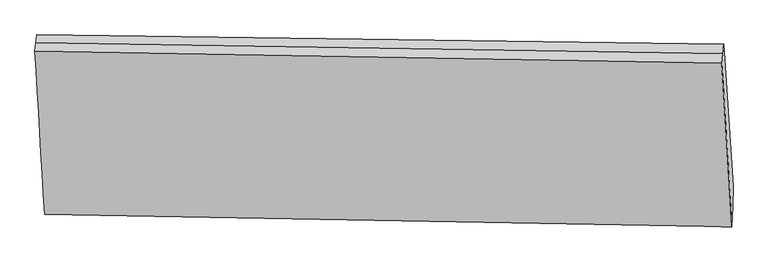
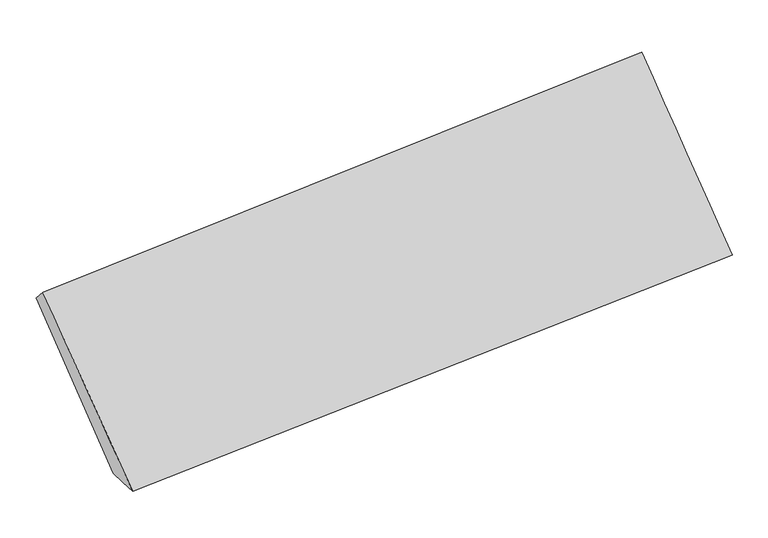
"""IFC4 building model written with IfcOpenShell, lengths in millimetres: proxy geometry."""

from ifc_helpers import new_model, si_unit, frame, origin, place, context, project, spatial, source, transform, mapped, element, save
from ifc_brep_helpers import plane_surface, spline_surface, advanced_brep


def generic_models_0dec25dd(model_context):
    return source(origin(), model_context, "Body", "AdvancedBrep", [
        advanced_brep(
        [(-5214.5957456, -1739.1666909, 1326.3664979), (-5276.5076604, -779.4260008, 2254.3130353), (-510.9286524, -844.3127294, 2657.7655399), (-447.6074011, -1833.6091884, 1707.097003), (-5217.9505747, -1881.9188342, 1336.2603632), (-451.4979139, -1973.2555177, 1723.9417852), (-5221.3054038, -2024.6709775, 1346.1542284), (-455.3884268, -2112.9018469, 1740.7865674), (-5288.8408512, -891.0791161, 2376.3622979), (-525.5700052, -976.8617733, 2802.6563747), (-5282.6742558, -835.2525584, 2315.3376666), (-518.2493288, -910.5872514, 2730.2109573)],
        [
            (0, 1),
            (1, 2),
            (2, 3),
            (3, 0),
            (4, 0),
            (3, 5),
            (5, 4),
            (6, 4),
            (5, 7),
            (7, 6),
            (8, 6),
            (7, 9),
            (9, 8),
            (10, 8),
            (9, 11),
            (11, 10),
            (1, 10),
            (11, 2),
        ],
        [
            spline_surface(1, 1, [[(-5214.5957456, -1739.1666909, 1326.3664979), (-447.6074011, -1833.6091884, 1707.097003)], [(-5276.5076604, -779.4260008, 2254.3130353), (-510.9286524, -844.3127294, 2657.7655399)]], [2, 2], [2, 2], [0.0, 1.0], [0.0, 1.0]),
            spline_surface(1, 1, [[(-5217.9505747, -1881.9188342, 1336.2603632), (-451.4979139, -1973.2555177, 1723.9417852)], [(-5214.5957456, -1739.1666909, 1326.3664979), (-447.6074011, -1833.6091884, 1707.097003)]], [2, 2], [2, 2], [0.0, 1.0], [0.0, 1.0]),
            spline_surface(1, 1, [[(-5221.3054038, -2024.6709775, 1346.1542284), (-455.3884268, -2112.9018469, 1740.7865674)], [(-5217.9505747, -1881.9188342, 1336.2603632), (-451.4979139, -1973.2555177, 1723.9417852)]], [2, 2], [2, 2], [0.0, 1.0], [0.0, 1.0]),
            spline_surface(1, 1, [[(-5288.8408512, -891.0791161, 2376.3622979), (-525.5700052, -976.8617733, 2802.6563747)], [(-5221.3054038, -2024.6709775, 1346.1542284), (-455.3884268, -2112.9018469, 1740.7865674)]], [2, 2], [2, 2], [0.0, 1.0], [0.0, 1.0]),
            plane_surface(frame((-5285.7575535, -863.1658372, 2345.8499823), z_axis=(-0.046795936590365204, 0.7393746699382432, 0.6716660165382379), x_axis=(-0.07435227424028977, -0.6731155935477656, 0.7357901447003323))),
            plane_surface(frame((-5279.5909581, -807.3392796, 2284.825351), z_axis=(-0.046795936590364906, 0.7393746699382457, 0.6716660165382351), x_axis=(-0.07435227424028877, -0.6731155935477628, 0.7357901447003349))),
            plane_surface(frame((-484.8736214, -1441.9213845, 2227.0763713), z_axis=(0.9962588179576872, -0.017548362189621518, 0.0846192804626333), x_axis=(0.04508574557098187, -0.7298099425830833, -0.6821618013735344))),
            plane_surface(frame((-5250.3124153, -1358.5856963, 1825.7990149), z_axis=(-0.9962588179576841, 0.017548362189650432, -0.08461928046266373), x_axis=(0.046326668583106634, -0.7181426873360027, -0.6943521587809858))),
        ],
        [
            (0, [[1, 2, 3, 4]]),
            (1, [[5, -4, 6, 7]]),
            (2, [[8, -7, 9, 10]]),
            (3, [[11, -10, 12, 13]]),
            (4, [[14, -13, 15, 16]]),
            (5, [[17, -16, 18, -2]]),
            (6, [[-12, -9, -6, -3, -18, -15]]),
            (7, [[-1, -5, -8, -11, -14, -17]]),
        ],
    ),
    ])


if __name__ == "__main__":
    model = new_model("IFC4")
    model_context = context("Model", 3, world=origin())
    ifc_project = project(units=[si_unit("LENGTHUNIT", "METRE", prefix="MILLI")], contexts=[model_context])
    site = spatial("IfcSite", under=ifc_project)
    building = spatial("IfcBuilding", under=site)
    placement = place(None, origin())
    generic_models_shape = generic_models_0dec25dd(model_context)
    element("IfcBuildingElementProxy", 1, Name="Generic Models", at=placement, inside=building, context=model_context, shape_type="MappedRepresentation", body=[
        mapped(generic_models_shape, transform((0.0, 0.0, 0.0), x_axis=(1.0, 0.0, 0.0), y_axis=(0.0, 1.0, 0.0), z_axis=(0.0, 0.0, 1.0))),
    ])
    save(model, "model.ifc")
